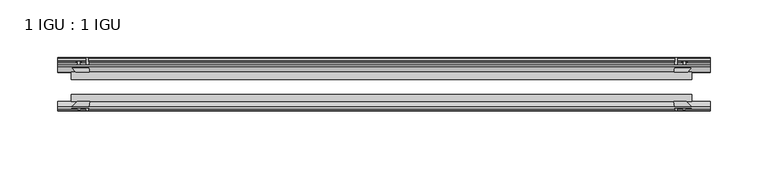
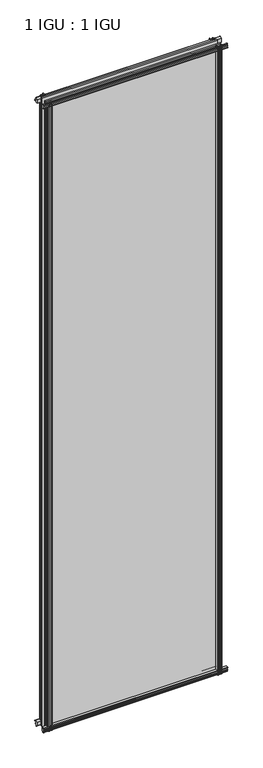
"""IFC4 building model written with IfcOpenShell, lengths in millimetres: plate geometry, 1 IGU : 1 IGU."""

from ifc_helpers import new_model, si_unit, point, frame, frame_2d, origin, place, context, project, spatial, polyline, circle_curve, trimmed, segment, composite_curve, outline, extrude, source, transform, mapped, element, save


def plate_1_igu_1_igu_759c18df(model_context):
    return source(origin(), model_context, "Body", "SweptSolid", [
        extrude(outline(composite_curve([segment(polyline([(-57.0900403, 1.731044), (-50.00625, 3.0983599), (-50.00625, -7.92383), (-54.1882244, -12.1058044)]), True, "CONTINUOUS"), segment(trimmed(circle_curve(frame_2d((-55.08625, -11.2077788)), 1.27), [point((-54.1882244, -12.1058044))], [point((-56.35625, -11.2077788))], False, "CARTESIAN"), True, "CONTINUOUS"), segment(polyline([(-56.35625, -11.2077788), (-56.35625, -8.0327788), (-57.835546, -5.4488186), (-56.35625, -5.1879788), (-56.35625, 0.2222212), (-57.65913, 0.0383748)]), True, "CONTINUOUS"), segment(trimmed(circle_curve(frame_2d((-56.9150839, 0.7302212)), 1.016), [point((-57.65913, 0.0383748))], [point((-57.0900403, 1.731044))], False, "CARTESIAN"), True, "CONTINUOUS")], self_intersect=False)), frame((-280.1239, 0.0, 0.0), z_axis=(1.0, 0.0, 0.0), x_axis=(0.0, 1.0, 0.0)), (0.0, 0.0, 1.0), 564.2864),
        extrude(outline(composite_curve([segment(polyline([(-24.60625, 2.5763839), (-12.8423053, 1.6478499)]), True, "CONTINUOUS"), segment(trimmed(circle_curve(frame_2d((-12.92225, 0.635)), 1.016), [point((-12.8423053, 1.6478499))], [point((-12.1291353, 0.0))], False, "CARTESIAN"), True, "CONTINUOUS"), segment(polyline([(-12.1291353, 0.0), (-18.25625, 0.0), (-18.25625, -4.953), (-15.9568457, -5.5691235), (-16.3325195, -4.1670901), (-15.4738114, -3.937), (-14.82725, -6.35), (-15.4738114, -8.763), (-16.3325195, -8.5329099), (-15.9568457, -7.1308765), (-18.25625, -7.747), (-18.25625, -12.7), (-20.28825, -12.7), (-24.60625, -9.1036931), (-24.60625, 2.5763839)]), True, "CONTINUOUS")], self_intersect=False)), frame((-280.1239, 0.0, 0.0), z_axis=(1.0, 0.0, 0.0), x_axis=(0.0, 1.0, 0.0)), (0.0, 0.0, 1.0), 564.2864),
        extrude(outline(composite_curve([segment(polyline([(-20.28825, 2019.3), (-18.25625, 2019.3), (-18.25625, 2014.347), (-15.9568457, 2013.7308765), (-16.3325195, 2015.1329099), (-15.4738114, 2015.363), (-14.82725, 2012.95), (-15.4738114, 2010.537), (-16.3325195, 2010.7670901), (-15.9568457, 2012.1691235), (-18.25625, 2011.553), (-18.25625, 2006.6), (-12.1291353, 2006.6)]), True, "CONTINUOUS"), segment(trimmed(circle_curve(frame_2d((-12.92225, 2005.965)), 1.016), [point((-12.1291353, 2006.6))], [point((-12.8423053, 2004.9521501))], False, "CARTESIAN"), True, "CONTINUOUS"), segment(polyline([(-12.8423053, 2004.9521501), (-24.60625, 2004.0236161), (-24.60625, 2015.7036931), (-20.28825, 2019.3)]), True, "CONTINUOUS")], self_intersect=False)), frame((-280.1239, 0.0, 0.0), z_axis=(1.0, 0.0, 0.0), x_axis=(0.0, 1.0, 0.0)), (0.0, 0.0, 1.0), 564.2864),
        extrude(outline(composite_curve([segment(trimmed(circle_curve(frame_2d((-56.9150839, 2005.8697788)), 1.016), [point((-57.0900403, 2004.868956))], [point((-57.65913, 2006.5616252))], False, "CARTESIAN"), True, "CONTINUOUS"), segment(polyline([(-57.65913, 2006.5616252), (-56.35625, 2006.3777788), (-56.35625, 2011.7879788), (-57.835546, 2012.0488186), (-56.35625, 2014.6327788), (-56.35625, 2017.8077788)]), True, "CONTINUOUS"), segment(trimmed(circle_curve(frame_2d((-55.08625, 2017.8077788)), 1.27), [point((-56.35625, 2017.8077788))], [point((-54.1882244, 2018.7058044))], False, "CARTESIAN"), True, "CONTINUOUS"), segment(polyline([(-54.1882244, 2018.7058044), (-50.00625, 2014.52383), (-50.00625, 2003.5016401), (-57.0900403, 2004.868956)]), True, "CONTINUOUS")], self_intersect=False)), frame((-280.1239, 0.0, 0.0), z_axis=(1.0, 0.0, 0.0), x_axis=(0.0, 1.0, 0.0)), (0.0, 0.0, 1.0), 564.2864),
        extrude(outline(composite_curve([segment(polyline([(253.0111161, -24.60625), (253.9396501, -12.8423053)]), True, "CONTINUOUS"), segment(trimmed(circle_curve(frame_2d((254.9525, -12.92225)), 1.016), [point((253.9396501, -12.8423053))], [point((255.5875, -12.1291353))], False, "CARTESIAN"), True, "CONTINUOUS"), segment(polyline([(255.5875, -12.1291353), (255.5875, -18.25625), (260.5405, -18.25625), (261.1566235, -15.9568457), (259.7545901, -16.3325195), (259.5245, -15.4738114), (261.9375, -14.82725), (264.3505, -15.4738114), (264.1204099, -16.3325195), (262.7183765, -15.9568457), (263.3345, -18.25625), (268.2875, -18.25625), (268.2875, -20.28825), (264.6911931, -24.60625), (253.0111161, -24.60625)]), True, "CONTINUOUS")], self_intersect=False)), frame((0.0, 0.0, -12.7), z_axis=(0.0, 0.0, 1.0), x_axis=(1.0, 0.0, 0.0)), (0.0, 0.0, 1.0), 2032.0),
        extrude(outline(composite_curve([segment(polyline([(260.7754788, -56.35625), (255.3652788, -56.35625), (255.5491252, -57.65913)]), True, "CONTINUOUS"), segment(trimmed(circle_curve(frame_2d((254.8572788, -56.9150839)), 1.016), [point((255.5491252, -57.65913))], [point((253.856456, -57.0900403))], False, "CARTESIAN"), True, "CONTINUOUS"), segment(polyline([(253.856456, -57.0900403), (252.4891401, -50.00625), (263.51133, -50.00625), (267.6933044, -54.1882244)]), True, "CONTINUOUS"), segment(trimmed(circle_curve(frame_2d((266.7952788, -55.08625)), 1.27), [point((267.6933044, -54.1882244))], [point((266.7952788, -56.35625))], False, "CARTESIAN"), True, "CONTINUOUS"), segment(polyline([(266.7952788, -56.35625), (263.6202788, -56.35625), (261.0363186, -57.835546), (260.7754788, -56.35625)]), True, "CONTINUOUS")], self_intersect=False)), frame((0.0, 0.0, -12.7), z_axis=(0.0, 0.0, 1.0), x_axis=(1.0, 0.0, 0.0)), (0.0, 0.0, 1.0), 2032.0),
        extrude(outline(composite_curve([segment(polyline([(-253.0111161, -24.60625), (-264.6911931, -24.60625), (-268.2875, -20.28825), (-268.2875, -18.25625), (-263.3345, -18.25625), (-262.7183765, -15.9568457), (-264.1204099, -16.3325195), (-264.3505, -15.4738114), (-261.9375, -14.82725), (-259.5245, -15.4738114), (-259.7545901, -16.3325195), (-261.1566235, -15.9568457), (-260.5405, -18.25625), (-255.5875, -18.25625), (-255.5875, -12.1291353)]), True, "CONTINUOUS"), segment(trimmed(circle_curve(frame_2d((-254.9525, -12.92225)), 1.016), [point((-255.5875, -12.1291353))], [point((-253.9396501, -12.8423053))], False, "CARTESIAN"), True, "CONTINUOUS"), segment(polyline([(-253.9396501, -12.8423053), (-253.0111161, -24.60625)]), True, "CONTINUOUS")], self_intersect=False)), frame((0.0, 0.0, -12.7), z_axis=(0.0, 0.0, 1.0), x_axis=(1.0, 0.0, 0.0)), (0.0, 0.0, 1.0), 2032.0),
        extrude(outline(composite_curve([segment(polyline([(-252.4891401, -50.00625), (-253.856456, -57.0900403)]), True, "CONTINUOUS"), segment(trimmed(circle_curve(frame_2d((-254.8572788, -56.9150839)), 1.016), [point((-253.856456, -57.0900403))], [point((-255.5491252, -57.65913))], False, "CARTESIAN"), True, "CONTINUOUS"), segment(polyline([(-255.5491252, -57.65913), (-255.3652788, -56.35625), (-260.7754788, -56.35625), (-261.0363186, -57.835546), (-263.6202788, -56.35625), (-266.7952788, -56.35625)]), True, "CONTINUOUS"), segment(trimmed(circle_curve(frame_2d((-266.7952788, -55.08625)), 1.27), [point((-266.7952788, -56.35625))], [point((-267.6933044, -54.1882244))], False, "CARTESIAN"), True, "CONTINUOUS"), segment(polyline([(-267.6933044, -54.1882244), (-263.51133, -50.00625), (-252.4891401, -50.00625)]), True, "CONTINUOUS")], self_intersect=False)), frame((0.0, 0.0, -12.7), z_axis=(0.0, 0.0, 1.0), x_axis=(1.0, 0.0, 0.0)), (0.0, 0.0, 1.0), 2032.0),
        extrude(outline(polyline([(-268.2875, -24.60625), (268.2875, -24.60625), (268.2875, -30.95625), (-268.2875, -30.95625), (-268.2875, -24.60625)])), frame((0.0, 0.0, -12.7), z_axis=(0.0, 0.0, 1.0), x_axis=(1.0, 0.0, 0.0)), (0.0, 0.0, 1.0), 2032.0),
        extrude(outline(polyline([(268.2875, -43.65625), (268.2875, -50.00625), (-268.2875, -50.00625), (-268.2875, -43.65625), (268.2875, -43.65625)])), frame((0.0, 0.0, -12.7), z_axis=(0.0, 0.0, 1.0), x_axis=(1.0, 0.0, 0.0)), (0.0, 0.0, 1.0), 2032.0),
    ])


if __name__ == "__main__":
    model = new_model("IFC4")
    model_context = context("Model", 3, world=origin())
    ifc_project = project(units=[si_unit("LENGTHUNIT", "METRE", prefix="MILLI")], contexts=[model_context])
    site = spatial("IfcSite", under=ifc_project)
    building = spatial("IfcBuilding", under=site)
    placement = place(None, origin())
    plate_1_igu_1_igu_shape = plate_1_igu_1_igu_759c18df(model_context)
    element("IfcPlate", 1, ObjectType="1 IGU : 1 IGU", at=placement, inside=building, context=model_context, shape_type="MappedRepresentation", body=[
        mapped(plate_1_igu_1_igu_shape, transform((0.0, 0.0, 0.0), x_axis=(1.0, 0.0, 0.0), y_axis=(0.0, 1.0, 0.0), z_axis=(0.0, 0.0, 1.0))),
    ])
    save(model, "model.ifc")
